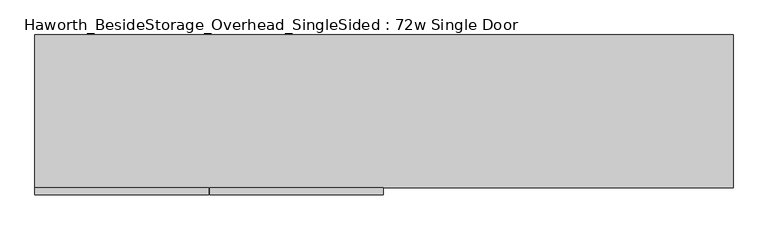
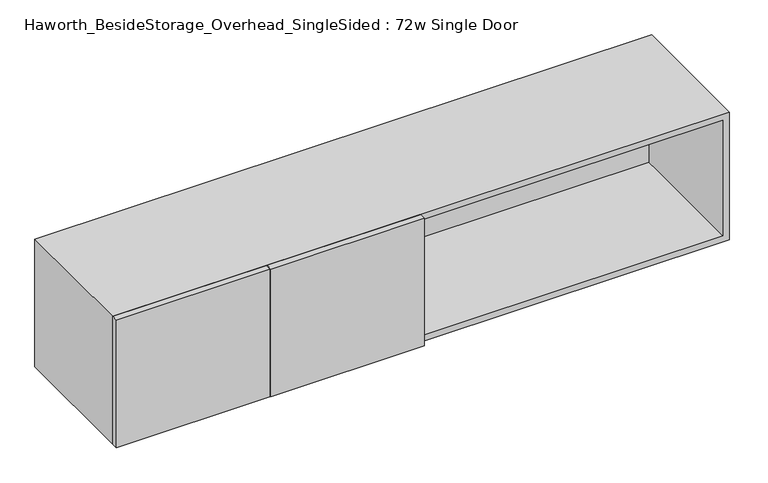
"""IFC4 building model written with IfcOpenShell, lengths in millimetres: furniture geometry, Haworth_BesideStorage_Overhead_SingleSided : 72w Single Door."""

from ifc_helpers import new_model, si_unit, frame, origin, place, context, project, spatial, polyline, outline, extrude, source, transform, mapped, element, save


def haworth_besidestorage_overhead_singlesided_72w_single_door_e600e17d(model_context):
    return source(origin(), model_context, "Body", "SweptSolid", [
        extrude(outline(polyline([(-291.30625, -419.1), (-291.30625, -400.05), (163.5125, -400.05), (163.5125, -419.1), (-291.30625, -419.1)])), frame((0.0, 0.0, 762.0), z_axis=(0.0, 0.0, 1.0), x_axis=(1.0, 0.0, 0.0)), (0.0, 0.0, 1.0), 400.05),
        extrude(outline(polyline([(-294.48125, -419.1), (-749.3, -419.1), (-749.3, -400.05), (-294.48125, -400.05), (-294.48125, -419.1)])), frame((0.0, 0.0, 762.0), z_axis=(0.0, 0.0, 1.0), x_axis=(1.0, 0.0, 0.0)), (0.0, 0.0, 1.0), 400.05),
        extrude(outline(polyline([(174.625, -400.05), (155.575, -400.05), (155.575, -19.05), (174.625, -19.05), (174.625, -400.05)])), frame((0.0, 0.0, 781.05), z_axis=(0.0, 0.0, 1.0), x_axis=(1.0, 0.0, 0.0)), (0.0, 0.0, 1.0), 361.95),
        extrude(outline(polyline([(1060.45, -19.05), (-730.25, -19.05), (-730.25, 0.0), (1060.45, 0.0), (1060.45, -19.05)])), frame((0.0, 0.0, 781.05), z_axis=(0.0, 0.0, 1.0), x_axis=(1.0, 0.0, 0.0)), (0.0, 0.0, 1.0), 361.95),
        extrude(outline(polyline([(762.0, 1079.5), (1162.05, 1079.5), (1162.05, -749.3), (762.0, -749.3), (762.0, 1079.5)]), holes=[polyline([(1143.0, 1060.45), (781.05, 1060.45), (781.05, -730.25), (1143.0, -730.25), (1143.0, 1060.45)])]), frame((0.0, -400.05, 0.0), z_axis=(0.0, 1.0, 0.0), x_axis=(0.0, 0.0, 1.0)), (0.0, 0.0, 1.0), 400.05),
    ])


if __name__ == "__main__":
    model = new_model("IFC4")
    model_context = context("Model", 3, world=origin())
    ifc_project = project(units=[si_unit("LENGTHUNIT", "METRE", prefix="MILLI")], contexts=[model_context])
    site = spatial("IfcSite", under=ifc_project)
    building = spatial("IfcBuilding", under=site)
    placement = place(None, origin())
    haworth_besidestorage_overhead_singlesided_72w_single_door_shape = haworth_besidestorage_overhead_singlesided_72w_single_door_e600e17d(model_context)
    element("IfcFurniture", 1, ObjectType="Haworth_BesideStorage_Overhead_SingleSided : 72w Single Door", at=placement, inside=building, context=model_context, shape_type="MappedRepresentation", body=[
        mapped(haworth_besidestorage_overhead_singlesided_72w_single_door_shape, transform((0.0, 0.0, 0.0), x_axis=(1.0, 0.0, 0.0), y_axis=(0.0, 1.0, 0.0), z_axis=(0.0, 0.0, 1.0))),
    ])
    save(model, "model.ifc")
